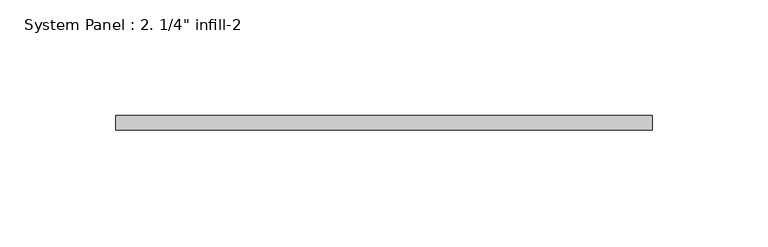
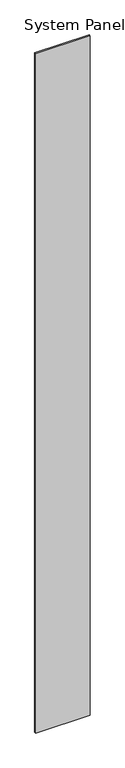
"""IFC4 building model written with IfcOpenShell, lengths in millimetres: plate geometry."""

from ifc_helpers import new_model, si_unit, origin, origin_with_axes, place, context, project, spatial, polyline, outline, extrude, source, transform, mapped, element, save


def plate_6658d86f(model_context):
    return source(origin(), model_context, "Body", "SweptSolid", [
        extrude(outline(polyline([(115.8922836, 0.0), (-115.8922836, 0.0), (-115.8922836, 6.35), (115.8922836, 6.35), (115.8922836, 0.0)])), origin_with_axes(), (0.0, 0.0, 1.0), 3048.0),
    ])


if __name__ == "__main__":
    model = new_model("IFC4")
    model_context = context("Model", 3, world=origin())
    ifc_project = project(units=[si_unit("LENGTHUNIT", "METRE", prefix="MILLI")], contexts=[model_context])
    site = spatial("IfcSite", under=ifc_project)
    building = spatial("IfcBuilding", under=site)
    placement = place(None, origin())
    plate_shape = plate_6658d86f(model_context)
    element("IfcPlate", 1, ObjectType="System Panel : 2. 1/4\" infill-2", at=placement, inside=building, context=model_context, shape_type="MappedRepresentation", body=[
        mapped(plate_shape, transform((0.0, 0.0, 0.0), x_axis=(1.0, 0.0, 0.0), y_axis=(0.0, 1.0, 0.0), z_axis=(0.0, 0.0, 1.0))),
    ])
    save(model, "model.ifc")
